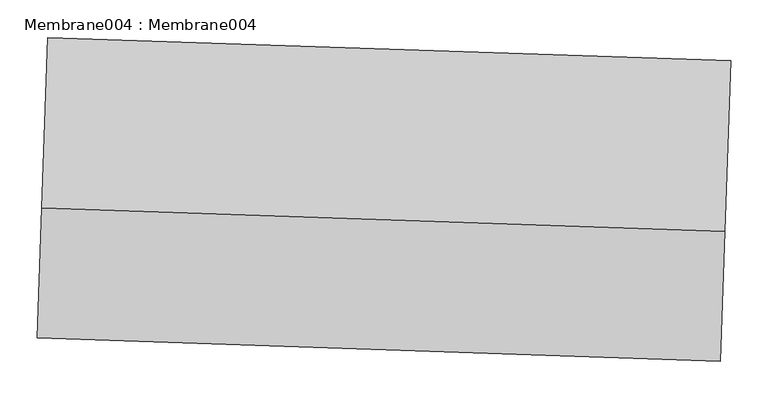
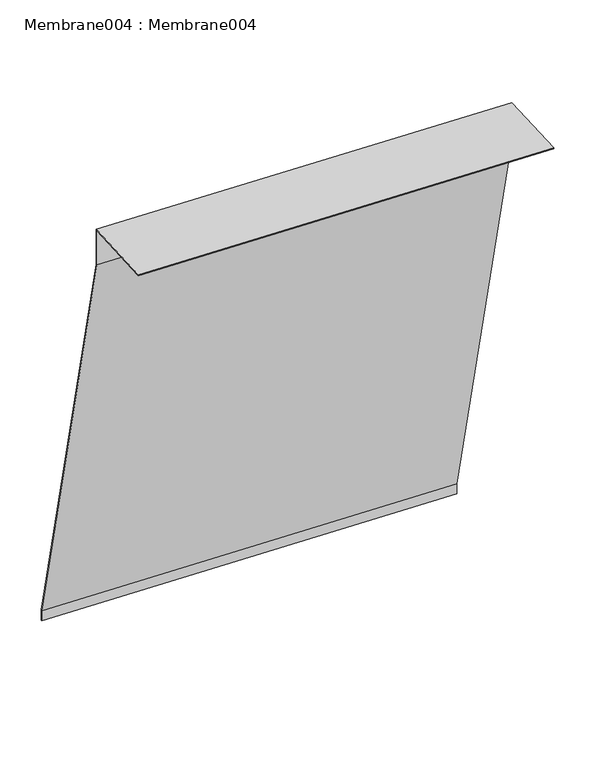
"""IFC4 building model written with IfcOpenShell, lengths in millimetres: proxy geometry, Membrane004 : Membrane004."""

import ifcopenshell
import ifcopenshell.guid

model = None  # the IFC model being written
_history = None  # IfcOwnerHistory: only IFC2X3 demands one
_inside = {}  # id of a spatial element -> (the spatial element, [elements in it])
_under = {}  # id of a project, library or spatial element -> (it, [spatial elements below it])
_declared = {}  # id of a project -> (the project, [libraries it declares])
_typed = {}  # id of a type object -> (the type object, [elements of that type])
_made_of = {}  # id of a material, layer set ... -> (it, [elements and type objects made of it])


def new_model(schema):
    """Start an empty IFC model of exactly this schema.

    Asked for "IFC4X3", IfcOpenShell would pick the latest addendum, in which some entities
    have other attributes; the version numbers below select the first issue.
    IFC2X3 requires an IfcOwnerHistory on every rooted entity: one is made here for all.
    """
    global model, _history
    if schema == "IFC4X3":
        model = ifcopenshell.file(schema_version=(4, 3, 0, 0))
    else:
        model = ifcopenshell.file(schema=schema)
    _inside.clear()
    _under.clear()
    _declared.clear()
    _typed.clear()
    _made_of.clear()
    _history = None
    if model.schema == "IFC2X3":
        org = make("IfcOrganization", Name="unknown")
        user = make(
            "IfcPersonAndOrganization",
            ThePerson=make("IfcPerson", FamilyName="unknown"),
            TheOrganization=org,
        )
        app = make(
            "IfcApplication",
            ApplicationDeveloper=org,
            Version="unknown",
            ApplicationFullName="unknown",
            ApplicationIdentifier="unknown",
        )
        _history = make(
            "IfcOwnerHistory",
            OwningUser=user,
            OwningApplication=app,
            ChangeAction="ADDED",
            CreationDate=0,
        )
    return model


def make(cls, **values):
    """One entity of the class cls with the attributes given. An attribute that is None is left unset."""
    return model.create_entity(
        cls, **{name: value for name, value in values.items() if value is not None}
    )


def rooted(cls, **values):
    """An entity with a GlobalId (a new one), such as an element, a storey or a relation."""
    return make(cls, GlobalId=ifcopenshell.guid.new(), OwnerHistory=_history, **values)


def si_unit(unit_type, name, prefix=None):
    """IfcSIUnit, for example si_unit("LENGTHUNIT", "METRE", prefix="MILLI")."""
    return make("IfcSIUnit", UnitType=unit_type, Prefix=prefix, Name=name)


def assignment(units):
    """IfcUnitAssignment: the units of a project."""
    return None if units is None else make("IfcUnitAssignment", Units=units)


def point(xyz):
    """IfcCartesianPoint."""
    return None if xyz is None else make("IfcCartesianPoint", Coordinates=xyz)


def direction(xyz):
    """IfcDirection."""
    return None if xyz is None else make("IfcDirection", DirectionRatios=xyz)


def frame(location, z_axis=None, x_axis=None):
    """IfcAxis2Placement3D, a coordinate frame: its origin and axes. An axis left out is left unset."""
    return make(
        "IfcAxis2Placement3D",
        Location=point(location),
        Axis=direction(z_axis),
        RefDirection=direction(x_axis),
    )


def origin():
    """The frame at (0, 0, 0) with its axes left unset."""
    return frame((0.0, 0.0, 0.0))


def place(relative_to, where):
    """IfcLocalPlacement: puts the frame where relative to a parent placement (None: the world)."""
    return make(
        "IfcLocalPlacement", PlacementRelTo=relative_to, RelativePlacement=where
    )


def context(
    kind, dimensions, precision=None, world=None, true_north=None, identifier=None
):
    """IfcGeometricRepresentationContext, for example the 3D "Model" context."""
    return make(
        "IfcGeometricRepresentationContext",
        ContextIdentifier=identifier,
        ContextType=kind,
        CoordinateSpaceDimension=dimensions,
        Precision=precision,
        WorldCoordinateSystem=world,
        TrueNorth=true_north,
    )


def project(units=None, contexts=None):
    """IfcProject with its units and contexts."""
    return rooted(
        "IfcProject",
        Name="project",
        RepresentationContexts=contexts,
        UnitsInContext=assignment(units),
    )


def spatial(cls, under=None, at=None, **own):
    """A site, building, storey or space (cls), placed at a placement, below another one or the project."""
    s = rooted(cls, ObjectPlacement=at, **own)
    if under is not None:
        _under.setdefault(under.id(), (under, []))[1].append(s)
    return s


def polyline(points):
    """IfcPolyline through the points."""
    return make("IfcPolyline", Points=[point(p) for p in points])


def outline(outer, holes=None, kind="AREA"):
    """IfcArbitraryClosedProfileDef: a profile drawn as a closed curve; with holes, ...WithVoids."""
    if holes is None:
        return make("IfcArbitraryClosedProfileDef", ProfileType=kind, OuterCurve=outer)
    return make(
        "IfcArbitraryProfileDefWithVoids",
        ProfileType=kind,
        OuterCurve=outer,
        InnerCurves=holes,
    )


def extrude(swept, where, along, depth):
    """IfcExtrudedAreaSolid: the profile swept, set in the frame where, extruded along a direction by depth."""
    return make(
        "IfcExtrudedAreaSolid",
        SweptArea=swept,
        Position=where,
        ExtrudedDirection=direction(along),
        Depth=depth,
    )


def shape(context_of_items, identifier, shape_type, items):
    """IfcShapeRepresentation: the items that make up one representation, for example the "Body"."""
    return make(
        "IfcShapeRepresentation",
        ContextOfItems=context_of_items,
        RepresentationIdentifier=identifier,
        RepresentationType=shape_type,
        Items=items,
    )


def source(mapping_origin, context_of_items, identifier, shape_type, items):
    """IfcRepresentationMap: a shape defined once, which mapped items show again and again."""
    return make(
        "IfcRepresentationMap",
        MappingOrigin=mapping_origin,
        MappedRepresentation=shape(context_of_items, identifier, shape_type, items),
    )


def transform(
    local_origin,
    x_axis=None,
    y_axis=None,
    z_axis=None,
    scale=None,
    scale2=None,
    scale3=None,
    uniform=True,
):
    """IfcCartesianTransformationOperator3D, or its non-uniform kind. x_axis, y_axis, z_axis: its Axis1, 2, 3."""
    if uniform:
        return make(
            "IfcCartesianTransformationOperator3D",
            Axis1=direction(x_axis),
            Axis2=direction(y_axis),
            LocalOrigin=point(local_origin),
            Scale=scale,
            Axis3=direction(z_axis),
        )
    return make(
        "IfcCartesianTransformationOperator3DnonUniform",
        Axis1=direction(x_axis),
        Axis2=direction(y_axis),
        LocalOrigin=point(local_origin),
        Scale=scale,
        Axis3=direction(z_axis),
        Scale2=scale2,
        Scale3=scale3,
    )


def mapped(mapping_source, mapping_target):
    """IfcMappedItem: shows the shape of a source again, moved by a transform."""
    return make(
        "IfcMappedItem", MappingSource=mapping_source, MappingTarget=mapping_target
    )


def made_of(thing, what):
    """Note that an element or type object is made of a material, layer set ...; save() writes the relation."""
    if what is not None:
        _made_of.setdefault(what.id(), (what, []))[1].append(thing)
    return thing


def element(
    cls,
    number,
    at=None,
    inside=None,
    cuts=None,
    type_object=None,
    material=None,
    context=None,
    identifier="Body",
    shape_type=None,
    held_by="IfcProductDefinitionShape",
    body=None,
    shapes=None,
    **own,
):
    """One element of the class cls, such as IfcWall. Its Tag is "e" and its number.

    at: its placement. inside: the storey or other place that contains it. cuts: it is an
    opening in that element (IfcRelVoidsElement). A single representation is given by context,
    identifier, shape_type and body (its items); several are given by shapes. held_by: the class
    of the entity that holds the representations. save() writes the other relations.
    """
    e = rooted(cls, Tag="e%d" % number, ObjectPlacement=at, **own)
    if body is not None:
        shapes = [shape(context, identifier, shape_type, body)]
    if shapes is not None:
        e.Representation = make(held_by, Representations=shapes)
    if inside is not None:
        _inside.setdefault(inside.id(), (inside, []))[1].append(e)
    if cuts is not None:
        rooted(
            "IfcRelVoidsElement", RelatingBuildingElement=cuts, RelatedOpeningElement=e
        )
    if type_object is not None:
        _typed.setdefault(type_object.id(), (type_object, []))[1].append(e)
    return made_of(e, material)


def aggregate(whole, parts):
    """IfcRelAggregates: a whole, such as a stair, and the parts it consists of."""
    return rooted("IfcRelAggregates", RelatingObject=whole, RelatedObjects=parts)


def save(model, path):
    """Write the relations noted so far, then the file.

    IfcRelAggregates (storeys below a building ...), IfcRelContainedInSpatialStructure (elements
    in a storey), IfcRelDefinesByType, IfcRelAssociatesMaterial and IfcRelDeclares: one each for
    every whole, place, type object, material and project.
    """
    for whole, parts in _under.values():
        aggregate(whole, parts)
    for where, things in _inside.values():
        rooted(
            "IfcRelContainedInSpatialStructure",
            RelatedElements=things,
            RelatingStructure=where,
        )
    for kind, things in _typed.values():
        rooted("IfcRelDefinesByType", RelatedObjects=things, RelatingType=kind)
    for what, things in _made_of.values():
        rooted("IfcRelAssociatesMaterial", RelatedObjects=things, RelatingMaterial=what)
    for by, libraries in _declared.values():
        rooted("IfcRelDeclares", RelatingContext=by, RelatedDefinitions=libraries)
    model.write(path)


def membrane004_membrane004_bd90c2ad(model_context):
    return source(origin(), model_context, "Body", "SweptSolid", [
        extrude(outline(polyline([(-24.5759844, 0.0), (0.0, 0.0), (961.8507117, -229.0524799), (1044.5420169, -229.0524799), (1044.5420169, -402.9773152), (1042.2207838, -402.9773152), (1042.2207838, -231.3736122), (961.5781039, -231.3736122), (-0.2726077, -2.3211428), (-24.5759844, -2.3211428), (-24.5759844, 0.0)])), frame((34361.837808, -15258.2589999, 98.5516924), z_axis=(-0.9994149478931889, 0.03420178252160013, 0.0), x_axis=(0.0, 0.0, 1.0)), (0.0, 0.0, 1.0), 914.4),
    ])


if __name__ == "__main__":
    model = new_model("IFC4")
    model_context = context("Model", 3, world=origin())
    ifc_project = project(units=[si_unit("LENGTHUNIT", "METRE", prefix="MILLI")], contexts=[model_context])
    site = spatial("IfcSite", under=ifc_project)
    building = spatial("IfcBuilding", under=site)
    placement = place(None, origin())
    membrane004_membrane004_shape = membrane004_membrane004_bd90c2ad(model_context)
    element("IfcBuildingElementProxy", 1, Name="Membrane004 : Membrane004", ObjectType="Membrane004 : Membrane004", at=placement, inside=building, context=model_context, shape_type="MappedRepresentation", body=[
        mapped(membrane004_membrane004_shape, transform((0.0, 0.0, 0.0), x_axis=(1.0, 0.0, 0.0), y_axis=(0.0, 1.0, 0.0), z_axis=(0.0, 0.0, 1.0))),
    ])
    save(model, "model.ifc")
